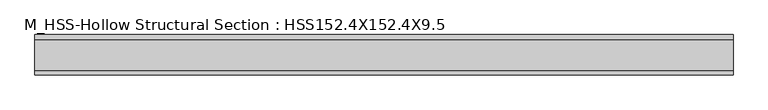
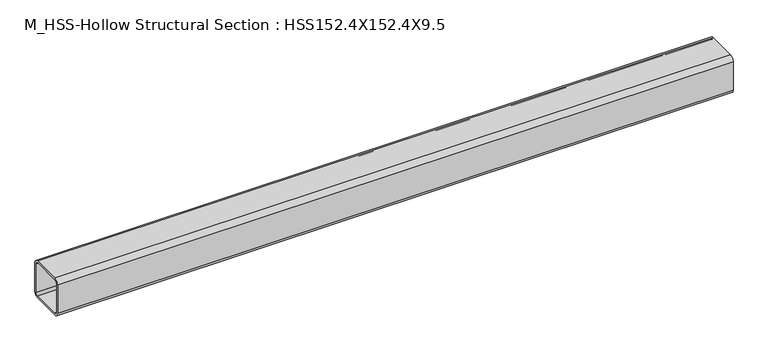
"""IFC4 building model written with IfcOpenShell, lengths in millimetres: member geometry, M_HSS-Hollow Structural Section : HSS152.4X152.4X9.5."""

from ifc_helpers import new_model, si_unit, point, frame, frame_2d, origin, place, context, project, spatial, polyline, circle_curve, trimmed, segment, composite_curve, outline, extrude, source, transform, mapped, element, save


def m_hss_hollow_structural_section_hss152_4x152_4x9_5_9be3c93a(model_context):
    return source(origin(), model_context, "Body", "SweptSolid", [
        extrude(outline(composite_curve([segment(polyline([(76.0, 58.2), (76.0, -58.2)]), True, "CONTINUOUS"), segment(trimmed(circle_curve(frame_2d((58.2, -58.2)), 17.8), [point((76.0, -58.2))], [point((58.2, -76.0))], False, "CARTESIAN"), True, "CONTINUOUS"), segment(polyline([(58.2, -76.0), (-58.2, -76.0)]), True, "CONTINUOUS"), segment(trimmed(circle_curve(frame_2d((-58.2, -58.2)), 17.8), [point((-58.2, -76.0))], [point((-76.0, -58.2))], False, "CARTESIAN"), True, "CONTINUOUS"), segment(polyline([(-76.0, -58.2), (-76.0, 58.2)]), True, "CONTINUOUS"), segment(trimmed(circle_curve(frame_2d((-58.2, 58.2)), 17.8), [point((-76.0, 58.2))], [point((-58.2, 76.0))], False, "CARTESIAN"), True, "CONTINUOUS"), segment(polyline([(-58.2, 76.0), (58.2, 76.0)]), True, "CONTINUOUS"), segment(trimmed(circle_curve(frame_2d((58.2, 58.2)), 17.8), [point((58.2, 76.0))], [point((76.0, 58.2))], False, "CARTESIAN"), True, "CONTINUOUS")], self_intersect=False), holes=[composite_curve([segment(trimmed(circle_curve(frame_2d((-58.2, 58.2)), 8.9), [point((-58.2, 67.1))], [point((-67.1, 58.2))], True, "CARTESIAN"), True, "CONTINUOUS"), segment(polyline([(-67.1, 58.2), (-67.1, -58.2)]), True, "CONTINUOUS"), segment(trimmed(circle_curve(frame_2d((-58.2, -58.2)), 8.9), [point((-67.1, -58.2))], [point((-58.2, -67.1))], True, "CARTESIAN"), True, "CONTINUOUS"), segment(polyline([(-58.2, -67.1), (58.2, -67.1)]), True, "CONTINUOUS"), segment(trimmed(circle_curve(frame_2d((58.2, -58.2)), 8.9), [point((58.2, -67.1))], [point((67.1, -58.2))], True, "CARTESIAN"), True, "CONTINUOUS"), segment(polyline([(67.1, -58.2), (67.1, 58.2)]), True, "CONTINUOUS"), segment(trimmed(circle_curve(frame_2d((58.2, 58.2)), 8.9), [point((67.1, 58.2))], [point((58.2, 67.1))], True, "CARTESIAN"), True, "CONTINUOUS"), segment(polyline([(58.2, 67.1), (-58.2, 67.1)]), True, "CONTINUOUS")], self_intersect=False)]), frame((-1214.75, 0.0, 0.0), z_axis=(1.0, 0.0, 0.0), x_axis=(0.0, 1.0, 0.0)), (0.0, 0.0, 1.0), 2623.9),
    ])


if __name__ == "__main__":
    model = new_model("IFC4")
    model_context = context("Model", 3, world=origin())
    ifc_project = project(units=[si_unit("LENGTHUNIT", "METRE", prefix="MILLI")], contexts=[model_context])
    site = spatial("IfcSite", under=ifc_project)
    building = spatial("IfcBuilding", under=site)
    placement = place(None, origin())
    m_hss_hollow_structural_section_hss152_4x152_4x9_5_shape = m_hss_hollow_structural_section_hss152_4x152_4x9_5_9be3c93a(model_context)
    element("IfcMember", 1, ObjectType="M_HSS-Hollow Structural Section : HSS152.4X152.4X9.5", at=placement, inside=building, context=model_context, shape_type="MappedRepresentation", body=[
        mapped(m_hss_hollow_structural_section_hss152_4x152_4x9_5_shape, transform((0.0, 0.0, 0.0), x_axis=(1.0, 0.0, 0.0), y_axis=(0.0, 1.0, 0.0), z_axis=(0.0, 0.0, 1.0))),
    ])
    save(model, "model.ifc")
